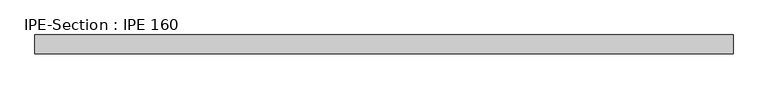
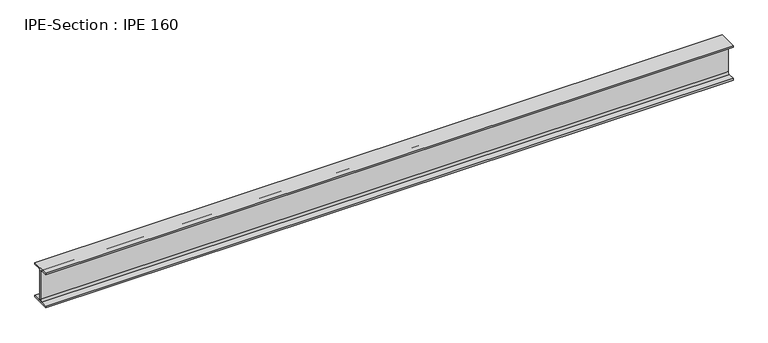
"""IFC4 building model written with IfcOpenShell, lengths in millimetres: beam geometry, IPE-Section : IPE 160."""

from ifc_helpers import new_model, si_unit, point, frame, frame_2d, origin, place, context, project, spatial, polyline, circle_curve, trimmed, segment, composite_curve, outline, extrude, source, transform, mapped, element, save


def ipe_section_ipe_160_b6f5af3f(model_context):
    return source(origin(), model_context, "Body", "SweptSolid", [
        extrude(outline(composite_curve([segment(polyline([(-41.0, -72.6), (-11.5, -72.6)]), True, "CONTINUOUS"), segment(trimmed(circle_curve(frame_2d((-11.5, -63.6)), 9.0), [point((-11.5, -72.6))], [point((-2.5, -63.6))], True, "CARTESIAN"), True, "CONTINUOUS"), segment(polyline([(-2.5, -63.6), (-2.5, 63.6)]), True, "CONTINUOUS"), segment(trimmed(circle_curve(frame_2d((-11.5, 63.6)), 9.0), [point((-2.5, 63.6))], [point((-11.5, 72.6))], True, "CARTESIAN"), True, "CONTINUOUS"), segment(polyline([(-11.5, 72.6), (-41.0, 72.6), (-41.0, 80.0), (41.0, 80.0), (41.0, 72.6), (11.5, 72.6)]), True, "CONTINUOUS"), segment(trimmed(circle_curve(frame_2d((11.5, 63.6)), 9.0), [point((11.5, 72.6))], [point((2.5, 63.6))], True, "CARTESIAN"), True, "CONTINUOUS"), segment(polyline([(2.5, 63.6), (2.5, -63.6)]), True, "CONTINUOUS"), segment(trimmed(circle_curve(frame_2d((11.5, -63.6)), 9.0), [point((2.5, -63.6))], [point((11.5, -72.6))], True, "CARTESIAN"), True, "CONTINUOUS"), segment(polyline([(11.5, -72.6), (41.0, -72.6), (41.0, -80.0), (-41.0, -80.0), (-41.0, -72.6)]), True, "CONTINUOUS")], self_intersect=False)), frame((-1551.2130118, 0.0, 0.0), z_axis=(1.0, 0.0, 0.0), x_axis=(0.0, 1.0, 0.0)), (0.0, 0.0, 1.0), 3019.5217329),
    ])


if __name__ == "__main__":
    model = new_model("IFC4")
    model_context = context("Model", 3, world=origin())
    ifc_project = project(units=[si_unit("LENGTHUNIT", "METRE", prefix="MILLI")], contexts=[model_context])
    site = spatial("IfcSite", under=ifc_project)
    building = spatial("IfcBuilding", under=site)
    placement = place(None, origin())
    ipe_section_ipe_160_shape = ipe_section_ipe_160_b6f5af3f(model_context)
    element("IfcBeam", 1, ObjectType="IPE-Section : IPE 160", at=placement, inside=building, context=model_context, shape_type="MappedRepresentation", body=[
        mapped(ipe_section_ipe_160_shape, transform((0.0, 0.0, 0.0), x_axis=(1.0, 0.0, 0.0), y_axis=(0.0, 1.0, 0.0), z_axis=(0.0, 0.0, 1.0))),
    ])
    save(model, "model.ifc")
